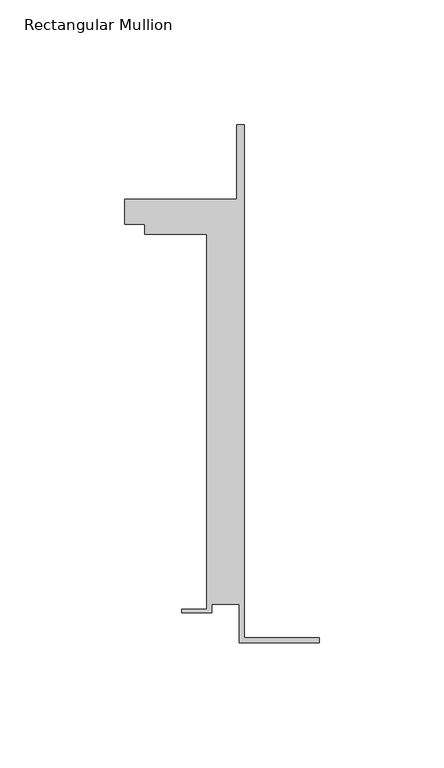
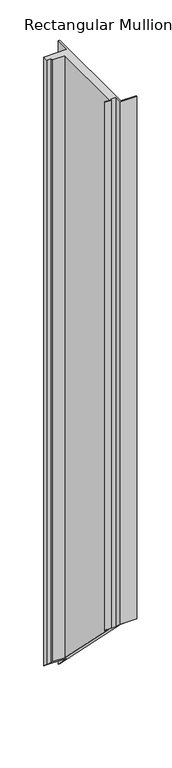
"""IFC4 building model written with IfcOpenShell, lengths in millimetres: member geometry, Rectangular Mullion."""

import ifcopenshell
import ifcopenshell.guid

model = None  # the IFC model being written
_history = None  # IfcOwnerHistory: only IFC2X3 demands one
_inside = {}  # id of a spatial element -> (the spatial element, [elements in it])
_under = {}  # id of a project, library or spatial element -> (it, [spatial elements below it])
_declared = {}  # id of a project -> (the project, [libraries it declares])
_typed = {}  # id of a type object -> (the type object, [elements of that type])
_made_of = {}  # id of a material, layer set ... -> (it, [elements and type objects made of it])


def new_model(schema):
    """Start an empty IFC model of exactly this schema.

    Asked for "IFC4X3", IfcOpenShell would pick the latest addendum, in which some entities
    have other attributes; the version numbers below select the first issue.
    IFC2X3 requires an IfcOwnerHistory on every rooted entity: one is made here for all.
    """
    global model, _history
    if schema == "IFC4X3":
        model = ifcopenshell.file(schema_version=(4, 3, 0, 0))
    else:
        model = ifcopenshell.file(schema=schema)
    _inside.clear()
    _under.clear()
    _declared.clear()
    _typed.clear()
    _made_of.clear()
    _history = None
    if model.schema == "IFC2X3":
        org = make("IfcOrganization", Name="unknown")
        user = make(
            "IfcPersonAndOrganization",
            ThePerson=make("IfcPerson", FamilyName="unknown"),
            TheOrganization=org,
        )
        app = make(
            "IfcApplication",
            ApplicationDeveloper=org,
            Version="unknown",
            ApplicationFullName="unknown",
            ApplicationIdentifier="unknown",
        )
        _history = make(
            "IfcOwnerHistory",
            OwningUser=user,
            OwningApplication=app,
            ChangeAction="ADDED",
            CreationDate=0,
        )
    return model


def make(cls, **values):
    """One entity of the class cls with the attributes given. An attribute that is None is left unset."""
    return model.create_entity(
        cls, **{name: value for name, value in values.items() if value is not None}
    )


def rooted(cls, **values):
    """An entity with a GlobalId (a new one), such as an element, a storey or a relation."""
    return make(cls, GlobalId=ifcopenshell.guid.new(), OwnerHistory=_history, **values)


def si_unit(unit_type, name, prefix=None):
    """IfcSIUnit, for example si_unit("LENGTHUNIT", "METRE", prefix="MILLI")."""
    return make("IfcSIUnit", UnitType=unit_type, Prefix=prefix, Name=name)


def assignment(units):
    """IfcUnitAssignment: the units of a project."""
    return None if units is None else make("IfcUnitAssignment", Units=units)


def point(xyz):
    """IfcCartesianPoint."""
    return None if xyz is None else make("IfcCartesianPoint", Coordinates=xyz)


def direction(xyz):
    """IfcDirection."""
    return None if xyz is None else make("IfcDirection", DirectionRatios=xyz)


def frame(location, z_axis=None, x_axis=None):
    """IfcAxis2Placement3D, a coordinate frame: its origin and axes. An axis left out is left unset."""
    return make(
        "IfcAxis2Placement3D",
        Location=point(location),
        Axis=direction(z_axis),
        RefDirection=direction(x_axis),
    )


def origin():
    """The frame at (0, 0, 0) with its axes left unset."""
    return frame((0.0, 0.0, 0.0))


def place(relative_to, where):
    """IfcLocalPlacement: puts the frame where relative to a parent placement (None: the world)."""
    return make(
        "IfcLocalPlacement", PlacementRelTo=relative_to, RelativePlacement=where
    )


def context(
    kind, dimensions, precision=None, world=None, true_north=None, identifier=None
):
    """IfcGeometricRepresentationContext, for example the 3D "Model" context."""
    return make(
        "IfcGeometricRepresentationContext",
        ContextIdentifier=identifier,
        ContextType=kind,
        CoordinateSpaceDimension=dimensions,
        Precision=precision,
        WorldCoordinateSystem=world,
        TrueNorth=true_north,
    )


def project(units=None, contexts=None):
    """IfcProject with its units and contexts."""
    return rooted(
        "IfcProject",
        Name="project",
        RepresentationContexts=contexts,
        UnitsInContext=assignment(units),
    )


def spatial(cls, under=None, at=None, **own):
    """A site, building, storey or space (cls), placed at a placement, below another one or the project."""
    s = rooted(cls, ObjectPlacement=at, **own)
    if under is not None:
        _under.setdefault(under.id(), (under, []))[1].append(s)
    return s


def faces_of(points, faces, orient=None, outer=None):
    """IfcFace entities. A face is a list of loops; a loop is a list of indices into points, from 0.

    orient and outer hold one flag for each loop. By default every Orientation is true, the
    first loop of a face is its IfcFaceOuterBound and the others are IfcFaceBound.
    """
    made = []
    for i, loops in enumerate(faces):
        bounds = []
        for j, loop in enumerate(loops):
            is_outer = j == 0 if outer is None else outer[i][j]
            bounds.append(
                make(
                    "IfcFaceOuterBound" if is_outer else "IfcFaceBound",
                    Bound=make("IfcPolyLoop", Polygon=[points[k] for k in loop]),
                    Orientation=True if orient is None else orient[i][j],
                )
            )
        made.append(make("IfcFace", Bounds=bounds))
    return made


def faceted_brep(points, faces, orient=None, outer=None, voids=None):
    """IfcFacetedBrep: a solid bounded by flat faces; with voids (closed shells), ...WithVoids."""
    shared = [point(p) for p in points]
    hull = make("IfcClosedShell", CfsFaces=faces_of(shared, faces, orient, outer))
    if voids is None:
        return make("IfcFacetedBrep", Outer=hull)
    return make(
        "IfcFacetedBrepWithVoids",
        Outer=hull,
        Voids=[
            make(cls, CfsFaces=faces_of(shared, fs, o, b)) for cls, fs, o, b in voids
        ],
    )


def shape(context_of_items, identifier, shape_type, items):
    """IfcShapeRepresentation: the items that make up one representation, for example the "Body"."""
    return make(
        "IfcShapeRepresentation",
        ContextOfItems=context_of_items,
        RepresentationIdentifier=identifier,
        RepresentationType=shape_type,
        Items=items,
    )


def source(mapping_origin, context_of_items, identifier, shape_type, items):
    """IfcRepresentationMap: a shape defined once, which mapped items show again and again."""
    return make(
        "IfcRepresentationMap",
        MappingOrigin=mapping_origin,
        MappedRepresentation=shape(context_of_items, identifier, shape_type, items),
    )


def transform(
    local_origin,
    x_axis=None,
    y_axis=None,
    z_axis=None,
    scale=None,
    scale2=None,
    scale3=None,
    uniform=True,
):
    """IfcCartesianTransformationOperator3D, or its non-uniform kind. x_axis, y_axis, z_axis: its Axis1, 2, 3."""
    if uniform:
        return make(
            "IfcCartesianTransformationOperator3D",
            Axis1=direction(x_axis),
            Axis2=direction(y_axis),
            LocalOrigin=point(local_origin),
            Scale=scale,
            Axis3=direction(z_axis),
        )
    return make(
        "IfcCartesianTransformationOperator3DnonUniform",
        Axis1=direction(x_axis),
        Axis2=direction(y_axis),
        LocalOrigin=point(local_origin),
        Scale=scale,
        Axis3=direction(z_axis),
        Scale2=scale2,
        Scale3=scale3,
    )


def mapped(mapping_source, mapping_target):
    """IfcMappedItem: shows the shape of a source again, moved by a transform."""
    return make(
        "IfcMappedItem", MappingSource=mapping_source, MappingTarget=mapping_target
    )


def made_of(thing, what):
    """Note that an element or type object is made of a material, layer set ...; save() writes the relation."""
    if what is not None:
        _made_of.setdefault(what.id(), (what, []))[1].append(thing)
    return thing


def element(
    cls,
    number,
    at=None,
    inside=None,
    cuts=None,
    type_object=None,
    material=None,
    context=None,
    identifier="Body",
    shape_type=None,
    held_by="IfcProductDefinitionShape",
    body=None,
    shapes=None,
    **own,
):
    """One element of the class cls, such as IfcWall. Its Tag is "e" and its number.

    at: its placement. inside: the storey or other place that contains it. cuts: it is an
    opening in that element (IfcRelVoidsElement). A single representation is given by context,
    identifier, shape_type and body (its items); several are given by shapes. held_by: the class
    of the entity that holds the representations. save() writes the other relations.
    """
    e = rooted(cls, Tag="e%d" % number, ObjectPlacement=at, **own)
    if body is not None:
        shapes = [shape(context, identifier, shape_type, body)]
    if shapes is not None:
        e.Representation = make(held_by, Representations=shapes)
    if inside is not None:
        _inside.setdefault(inside.id(), (inside, []))[1].append(e)
    if cuts is not None:
        rooted(
            "IfcRelVoidsElement", RelatingBuildingElement=cuts, RelatedOpeningElement=e
        )
    if type_object is not None:
        _typed.setdefault(type_object.id(), (type_object, []))[1].append(e)
    return made_of(e, material)


def aggregate(whole, parts):
    """IfcRelAggregates: a whole, such as a stair, and the parts it consists of."""
    return rooted("IfcRelAggregates", RelatingObject=whole, RelatedObjects=parts)


def save(model, path):
    """Write the relations noted so far, then the file.

    IfcRelAggregates (storeys below a building ...), IfcRelContainedInSpatialStructure (elements
    in a storey), IfcRelDefinesByType, IfcRelAssociatesMaterial and IfcRelDeclares: one each for
    every whole, place, type object, material and project.
    """
    for whole, parts in _under.values():
        aggregate(whole, parts)
    for where, things in _inside.values():
        rooted(
            "IfcRelContainedInSpatialStructure",
            RelatedElements=things,
            RelatingStructure=where,
        )
    for kind, things in _typed.values():
        rooted("IfcRelDefinesByType", RelatedObjects=things, RelatingType=kind)
    for what, things in _made_of.values():
        rooted("IfcRelAssociatesMaterial", RelatedObjects=things, RelatingMaterial=what)
    for by, libraries in _declared.values():
        rooted("IfcRelDeclares", RelatingContext=by, RelatedDefinitions=libraries)
    model.write(path)


def rectangular_mullion_107d7c86(model_context):
    return source(origin(), model_context, "Body", "Brep", [
        faceted_brep([(-32.1465839, -41.25, 0.0), (0.0, -41.25, 0.0), (0.0, -39.25, 0.0), (-30.1465839, -39.25, 0.0), (-30.1465839, 166.75, 0.0), (-33.1466122, 166.75, 0.0), (-33.1466122, 136.75, 0.0), (-78.1466122, 136.75, 0.0), (-78.1466122, 126.75, 0.0), (-70.1466122, 126.75, 0.0), (-70.1466122, 122.75, 0.0), (-45.1465839, 122.75, 0.0), (-45.1465839, -27.75, 0.0), (-55.1465839, -27.75, 0.0), (-55.1465839, -29.25, 0.0), (-43.1465839, -29.25, 0.0), (-43.1465839, -25.75, 0.0), (-32.1465839, -25.75, 0.0), (-32.1465839, -41.25, -1072.852645), (0.0, -41.25, -1072.852645), (0.0, -39.25, -1074.852645), (-30.1465839, -39.25, -1074.852645), (-30.1465839, 166.75, -1280.8526449), (-33.1466122, 166.75, -1280.8526449), (-33.1466122, 136.75, -1250.8526449), (-78.1466122, 136.75, -1250.8526449), (-78.1466122, 126.75, -1240.8526449), (-70.1466122, 126.75, -1240.8526449), (-70.1466122, 122.75, -1236.852645), (-45.1465839, 122.75, -1236.852645), (-45.1465839, -27.75, -1086.352645), (-55.1465839, -27.75, -1086.352645), (-55.1465839, -29.25, -1084.852645), (-43.1465839, -29.25, -1084.852645), (-43.1465839, -25.75, -1088.352645), (-32.1465839, -25.75, -1088.352645)], [[[0, 1, 2, 3, 4, 5, 6, 7, 8, 9, 10, 11, 12, 13, 14, 15, 16, 17]], [[1, 0, 18, 19]], [[2, 1, 19, 20]], [[3, 2, 20, 21]], [[4, 3, 21, 22]], [[5, 4, 22, 23]], [[6, 5, 23, 24]], [[7, 6, 24, 25]], [[8, 7, 25, 26]], [[9, 8, 26, 27]], [[10, 9, 27, 28]], [[11, 10, 28, 29]], [[12, 11, 29, 30]], [[13, 12, 30, 31]], [[14, 13, 31, 32]], [[15, 14, 32, 33]], [[16, 15, 33, 34]], [[17, 16, 34, 35]], [[0, 17, 35, 18]], [[18, 35, 34, 33, 32, 31, 30, 29, 28, 27, 26, 25, 24, 23, 22, 21, 20, 19]]]),
    ])


if __name__ == "__main__":
    model = new_model("IFC4")
    model_context = context("Model", 3, world=origin())
    ifc_project = project(units=[si_unit("LENGTHUNIT", "METRE", prefix="MILLI")], contexts=[model_context])
    site = spatial("IfcSite", under=ifc_project)
    building = spatial("IfcBuilding", under=site)
    placement = place(None, origin())
    rectangular_mullion_shape = rectangular_mullion_107d7c86(model_context)
    element("IfcMember", 1, ObjectType="Rectangular Mullion", at=placement, inside=building, context=model_context, shape_type="MappedRepresentation", body=[
        mapped(rectangular_mullion_shape, transform((0.0, 0.0, 0.0), x_axis=(1.0, 0.0, 0.0), y_axis=(0.0, 1.0, 0.0), z_axis=(0.0, 0.0, 1.0))),
    ])
    save(model, "model.ifc")
